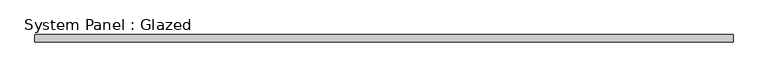
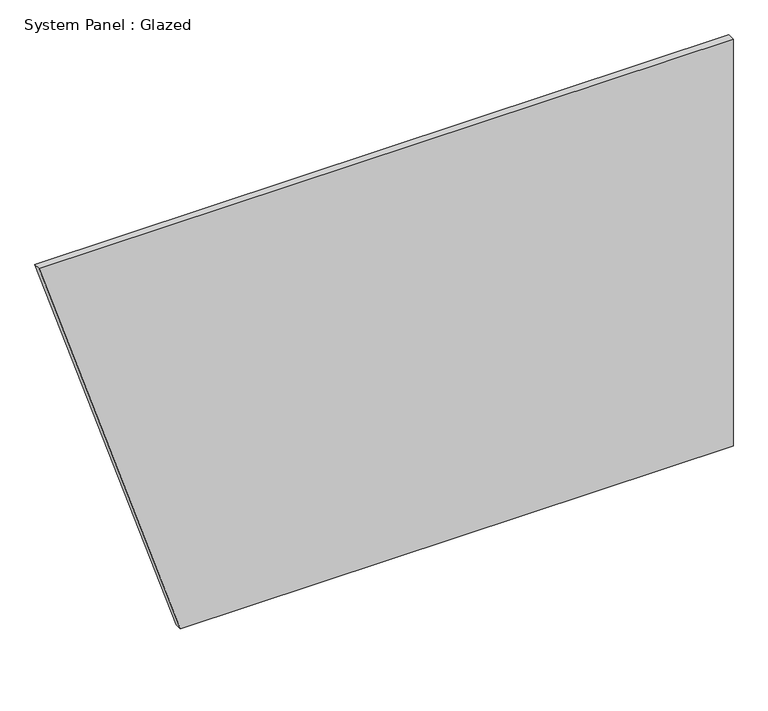
"""IFC4 building model written with IfcOpenShell, lengths in millimetres: plate geometry, System Panel : Glazed."""

from ifc_helpers import new_model, si_unit, frame, origin, place, context, project, spatial, polyline, outline, extrude, source, transform, mapped, element, save


def system_panel_glazed_ddad1ee4(model_context):
    return source(origin(), model_context, "Body", "SweptSolid", [
        extrude(outline(polyline([(0.0, -698.0010416), (0.0, 1176.8356129), (1460.5, 1176.8356129), (1460.5, -1176.8356129), (0.0, -698.0010416)])), frame((0.0, -44.45, 0.0), z_axis=(0.0, 1.0, 0.0), x_axis=(0.0, 0.0, 1.0)), (0.0, 0.0, 1.0), 25.4),
    ])


if __name__ == "__main__":
    model = new_model("IFC4")
    model_context = context("Model", 3, world=origin())
    ifc_project = project(units=[si_unit("LENGTHUNIT", "METRE", prefix="MILLI")], contexts=[model_context])
    site = spatial("IfcSite", under=ifc_project)
    building = spatial("IfcBuilding", under=site)
    placement = place(None, origin())
    system_panel_glazed_shape = system_panel_glazed_ddad1ee4(model_context)
    element("IfcPlate", 1, ObjectType="System Panel : Glazed", at=placement, inside=building, context=model_context, shape_type="MappedRepresentation", body=[
        mapped(system_panel_glazed_shape, transform((0.0, 0.0, 0.0), x_axis=(1.0, 0.0, 0.0), y_axis=(0.0, 1.0, 0.0), z_axis=(0.0, 0.0, 1.0))),
    ])
    save(model, "model.ifc")
